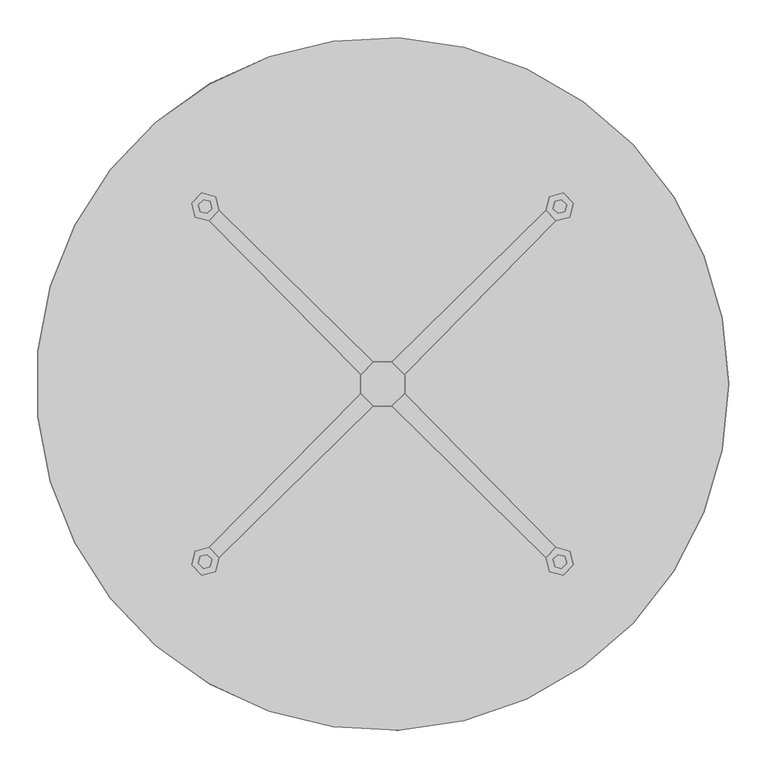
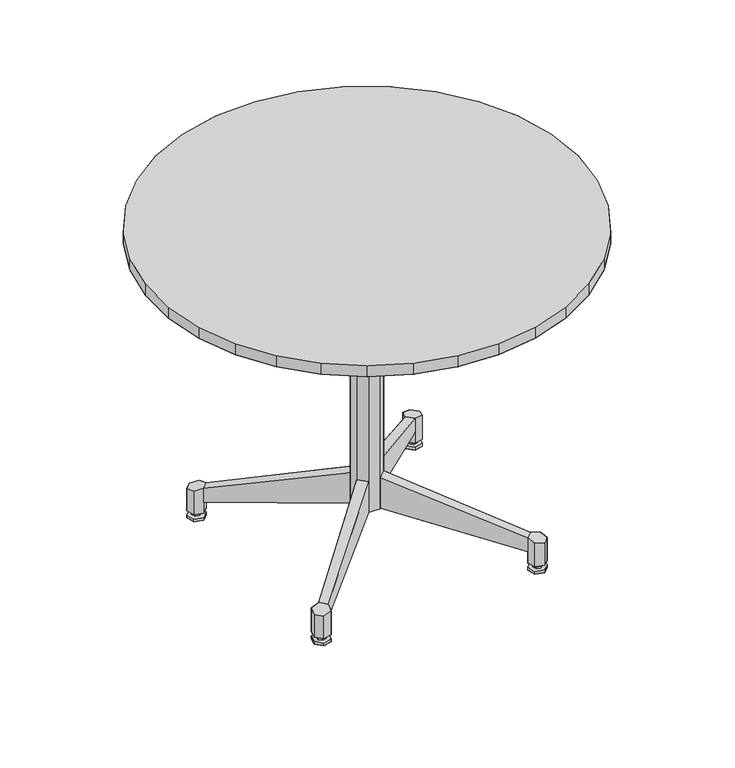
"""IFC4 building model written with IfcOpenShell, lengths in millimetres: furniture geometry."""

from ifc_helpers import new_model, si_unit, origin, place, context, project, spatial, triangles, source, transform, mapped, element, save


def furniture_ca0bdcf8(model_context):
    return source(origin(), model_context, "Body", "Tessellation", [
        triangles([(-65.0663455, -452.5463596, 723.9), (21.754452, -456.6821537, 723.9), (-149.5354764, -432.0543692, 723.9), (107.7889875, -444.3122329, 723.9), (-228.6, -395.9467984, 723.9), (189.9277421, -415.8837356, 723.9), (-299.402328, -345.5286913, 723.9), (265.2020173, -372.4241426, 723.9), (-359.3834779, -282.6222839, 723.9), (330.8912127, -315.5041068, 723.9), (384.6211089, -247.1809879, 723.9), (-406.3755587, -209.5011658, 723.9), (-438.6802002, -128.8081261, 723.9), (424.4498188, -169.9240757, 723.9), (448.9377863, -86.5256688, 723.9), (-455.1297775, -43.4596247, 723.9), (-455.1297775, 43.4596247, 723.9), (457.2, 0.0, 723.9), (448.9377863, 86.5256688, 723.9), (-438.6802002, 128.8081261, 723.9), (-406.3755587, 209.5011658, 723.9), (424.4498188, 169.9240757, 723.9), (384.6211089, 247.1809879, 723.9), (-359.3834779, 282.6222839, 723.9), (-299.402328, 345.5286913, 723.9), (330.8912127, 315.5041068, 723.9), (265.2020173, 372.4241426, 723.9), (-228.6, 395.9467984, 723.9), (-149.5354764, 432.0543692, 723.9), (189.9277421, 415.8837356, 723.9), (107.7889875, 444.3122329, 723.9), (-65.0663455, 452.5463596, 723.9), (21.754452, 456.6821537, 723.9), (107.7889875, 444.3122329, 698.5000242), (-65.0663455, 452.5463596, 698.5000242), (21.754452, 456.6821537, 698.5000242), (189.9277421, 415.8837356, 698.5000242), (-149.5354764, 432.0543692, 698.5000242), (265.2020173, 372.4241426, 698.5000242), (-228.6, 395.9467984, 698.5000242), (330.8912127, 315.5041068, 698.5000242), (-299.402328, 345.5286913, 698.5000242), (384.6211089, 247.1809879, 698.5000242), (-359.3834779, 282.6222839, 698.5000242), (424.4498188, 169.9240757, 698.5000242), (-406.3755587, 209.5011658, 698.5000242), (448.9377863, 86.5256688, 698.5000242), (-438.6802002, 128.8081261, 698.5000242), (457.2, 0.0, 698.5000242), (-455.1297775, 43.4596247, 698.5000242), (448.9377863, -86.5256688, 698.5000242), (-455.1297775, -43.4596247, 698.5000242), (424.4498188, -169.9240757, 698.5000242), (-438.6802002, -128.8081261, 698.5000242), (384.6211089, -247.1809879, 698.5000242), (-406.3755587, -209.5011658, 698.5000242), (330.8912127, -315.5041068, 698.5000242), (-359.3834779, -282.6222839, 698.5000242), (265.2020173, -372.4241426, 698.5000242), (-299.402328, -345.5286913, 698.5000242), (189.9277421, -415.8837356, 698.5000242), (-228.6, -395.9467984, 698.5000242), (107.7889875, -444.3122329, 698.5000242), (-149.5354764, -432.0543692, 698.5000242), (21.754452, -456.6821537, 698.5000242), (-65.0663455, -452.5463596, 698.5000242)], [[1, 2, 3], [2, 4, 3], [5, 3, 4], [5, 4, 6], [5, 6, 7], [6, 8, 7], [9, 7, 8], [9, 8, 10], [9, 10, 11], [9, 11, 12], [13, 12, 11], [13, 11, 14], [13, 14, 15], [13, 15, 16], [17, 16, 15], [17, 15, 18], [17, 18, 19], [17, 19, 20], [21, 20, 19], [21, 19, 22], [21, 22, 23], [21, 23, 24], [25, 24, 23], [25, 23, 26], [25, 26, 27], [25, 27, 28], [29, 28, 30], [28, 27, 30], [29, 30, 31], [29, 31, 32], [33, 32, 31], [34, 35, 36], [34, 37, 35], [37, 38, 35], [39, 40, 38], [39, 38, 37], [39, 41, 42], [39, 42, 40], [43, 44, 42], [43, 42, 41], [43, 45, 46], [43, 46, 44], [47, 48, 45], [48, 46, 45], [47, 49, 50], [47, 50, 48], [51, 52, 50], [51, 50, 49], [51, 53, 54], [51, 54, 52], [55, 56, 54], [55, 54, 53], [55, 57, 58], [55, 58, 56], [59, 60, 58], [59, 58, 57], [59, 61, 62], [59, 62, 60], [63, 64, 61], [64, 62, 61], [63, 65, 66], [63, 66, 64]], closed=False),
        triangles([(457.2, 0.0, 698.5000242), (448.9377863, 86.5256688, 698.5000242), (448.9377863, 86.5256688, 723.9), (457.2, 0.0, 723.9), (424.4498188, 169.9240757, 698.5000242), (424.4498188, 169.9240757, 723.9), (384.6211089, 247.1809879, 698.5000242), (384.6211089, 247.1809879, 723.9), (330.8912127, 315.5041068, 698.5000242), (330.8912127, 315.5041068, 723.9), (265.2020173, 372.4241426, 698.5000242), (265.2020173, 372.4241426, 723.9), (189.9277421, 415.8837356, 698.5000242), (189.9277421, 415.8837356, 723.9), (107.7889875, 444.3122329, 698.5000242), (107.7889875, 444.3122329, 723.9), (21.754452, 456.6821537, 698.5000242), (21.754452, 456.6821537, 723.9), (-65.0663455, 452.5463596, 698.5000242), (-65.0663455, 452.5463596, 723.9), (-149.5354764, 432.0543692, 698.5000242), (-149.5354764, 432.0543692, 723.9), (-228.6, 395.9467984, 698.5000242), (-228.6, 395.9467984, 723.9), (-299.402328, 345.5286913, 698.5000242), (-299.402328, 345.5286913, 723.9), (-359.3834779, 282.6222839, 698.5000242), (-359.3834779, 282.6222839, 723.9), (-406.3755587, 209.5011658, 698.5000242), (-406.3755587, 209.5011658, 723.9), (-438.6802002, 128.8081261, 698.5000242), (-438.6802002, 128.8081261, 723.9), (-455.1297775, 43.4596247, 698.5000242), (-455.1297775, 43.4596247, 723.9), (-455.1297775, -43.4596247, 698.5000242), (-455.1297775, -43.4596247, 723.9), (-438.6802002, -128.8081261, 698.5000242), (-438.6802002, -128.8081261, 723.9), (-406.3755587, -209.5011658, 698.5000242), (-406.3755587, -209.5011658, 723.9), (-359.3834779, -282.6222839, 698.5000242), (-359.3834779, -282.6222839, 723.9), (-299.402328, -345.5286913, 698.5000242), (-299.402328, -345.5286913, 723.9), (-228.6, -395.9467984, 698.5000242), (-228.6, -395.9467984, 723.9), (-149.5354764, -432.0543692, 698.5000242), (-149.5354764, -432.0543692, 723.9), (-65.0663455, -452.5463596, 698.5000242), (-65.0663455, -452.5463596, 723.9), (21.754452, -456.6821537, 698.5000242), (21.754452, -456.6821537, 723.9), (107.7889875, -444.3122329, 698.5000242), (107.7889875, -444.3122329, 723.9), (189.9277421, -415.8837356, 698.5000242), (189.9277421, -415.8837356, 723.9), (265.2020173, -372.4241426, 698.5000242), (265.2020173, -372.4241426, 723.9), (330.8912127, -315.5041068, 698.5000242), (330.8912127, -315.5041068, 723.9), (384.6211089, -247.1809879, 698.5000242), (384.6211089, -247.1809879, 723.9), (424.4498188, -169.9240757, 698.5000242), (424.4498188, -169.9240757, 723.9), (448.9377863, -86.5256688, 698.5000242), (448.9377863, -86.5256688, 723.9)], [[1, 2, 3], [1, 3, 4], [2, 5, 6], [2, 6, 3], [5, 7, 8], [5, 8, 6], [7, 9, 10], [7, 10, 8], [9, 11, 12], [9, 12, 10], [11, 13, 14], [11, 14, 12], [13, 15, 16], [13, 16, 14], [15, 17, 18], [15, 18, 16], [17, 19, 20], [17, 20, 18], [19, 21, 22], [19, 22, 20], [21, 23, 24], [21, 24, 22], [23, 25, 26], [23, 26, 24], [25, 27, 28], [25, 28, 26], [27, 29, 30], [27, 30, 28], [29, 31, 32], [29, 32, 30], [31, 33, 34], [31, 34, 32], [33, 35, 36], [33, 36, 34], [35, 37, 38], [35, 38, 36], [37, 39, 40], [37, 40, 38], [39, 41, 42], [39, 42, 40], [41, 43, 44], [41, 44, 42], [43, 45, 46], [43, 46, 44], [45, 47, 48], [45, 48, 46], [47, 49, 50], [47, 50, 48], [49, 51, 52], [49, 52, 50], [51, 53, 54], [51, 54, 52], [53, 55, 56], [53, 56, 54], [55, 57, 58], [55, 58, 56], [57, 59, 60], [57, 60, 58], [59, 61, 62], [59, 62, 60], [61, 63, 64], [61, 64, 62], [63, 65, 66], [63, 66, 64], [65, 1, 4], [65, 4, 66]], closed=False),
        triangles([(-238.6784728, 252.1722167, -0.5598456), (-252.1722167, 238.6784728, -0.5598456), (-215.6597288, 229.1534728, -0.5598456), (-220.4222288, 247.4097167, -0.5598456), (-229.1534728, 215.6597288, -0.5598456), (-247.4097167, 220.4222288, -0.5598456), (-238.6784728, 252.1722167, 15.3151546), (-252.1722167, 238.6784728, 15.3151546), (-215.6597288, 229.1534728, 15.3151546), (-220.4222288, 247.4097167, 15.3151546), (-229.1534728, 215.6597288, 15.3151546), (-247.4097167, 220.4222288, 15.3151546), (-227.5659788, 241.0597228, 5.7901546), (-236.2972228, 243.4409728, 5.7901546), (-236.2972228, 243.4409728, 15.3151546), (-227.5659788, 241.0597228, 15.3151546), (-243.4409728, 236.2972228, 5.7901546), (-243.4409728, 236.2972228, 15.3151546), (-241.0597228, 227.5659788, 5.7901546), (-241.0597228, 227.5659788, 15.3151546), (-231.5347228, 225.1847288, 5.7901546), (-231.5347228, 225.1847288, 15.3151546), (-225.1847288, 231.5347228, 5.7901546), (-225.1847288, 231.5347228, 15.3151546), (-220.4222288, 247.4097167, 5.7901546), (-215.6597288, 229.1534728, 5.7901546), (-238.6784728, 252.1722167, 5.7901546), (-252.1722167, 238.6784728, 5.7901546), (-229.1534728, 215.6597288, 5.7901546), (-247.4097167, 220.4222288, 5.7901546), (220.4222288, 247.4097167, -0.5598456), (215.6597288, 229.1534728, -0.5598456), (238.6784728, 252.1722167, -0.5598456), (252.1722167, 238.6784728, -0.5598456), (229.1534728, 215.6597288, -0.5598456), (247.4097167, 220.4222288, -0.5598456), (220.4222288, 247.4097167, 15.3151546), (215.6597288, 229.1534728, 15.3151546), (238.6784728, 252.1722167, 15.3151546), (252.1722167, 238.6784728, 15.3151546), (229.1534728, 215.6597288, 15.3151546), (247.4097167, 220.4222288, 15.3151546), (227.5659788, 241.0597228, 15.3151546), (236.2972228, 243.4409728, 15.3151546), (236.2972228, 243.4409728, 5.7901546), (227.5659788, 241.0597228, 5.7901546), (243.4409728, 236.2972228, 15.3151546), (243.4409728, 236.2972228, 5.7901546), (241.0597228, 227.5659788, 15.3151546), (241.0597228, 227.5659788, 5.7901546), (231.5347228, 225.1847288, 15.3151546), (231.5347228, 225.1847288, 5.7901546), (225.1847288, 231.5347228, 15.3151546), (225.1847288, 231.5347228, 5.7901546), (238.6784728, 252.1722167, 5.7901546), (252.1722167, 238.6784728, 5.7901546), (215.6597288, 229.1534728, 5.7901546), (220.4222288, 247.4097167, 5.7901546), (229.1534728, 215.6597288, 5.7901546), (247.4097167, 220.4222288, 5.7901546), (-220.4222288, -247.4097167, -0.5598456), (-215.6597288, -229.1534728, -0.5598456), (-238.6784728, -252.1722167, -0.5598456), (-252.1722167, -238.6784728, -0.5598456), (-229.1534728, -215.6597288, -0.5598456), (-247.4097167, -220.4222288, -0.5598456), (-220.4222288, -247.4097167, 15.3151546), (-215.6597288, -229.1534728, 15.3151546), (-238.6784728, -252.1722167, 15.3151546), (-252.1722167, -238.6784728, 15.3151546), (-229.1534728, -215.6597288, 15.3151546), (-247.4097167, -220.4222288, 15.3151546), (-227.5659788, -241.0597228, 15.3151546), (-236.2972228, -243.4409728, 15.3151546), (-236.2972228, -243.4409728, 5.7901546), (-227.5659788, -241.0597228, 5.7901546), (-243.4409728, -236.2972228, 15.3151546), (-243.4409728, -236.2972228, 5.7901546), (-241.0597228, -227.5659788, 15.3151546), (-241.0597228, -227.5659788, 5.7901546), (-231.5347228, -225.1847288, 15.3151546), (-231.5347228, -225.1847288, 5.7901546), (-225.1847288, -231.5347228, 15.3151546), (-225.1847288, -231.5347228, 5.7901546), (-238.6784728, -252.1722167, 5.7901546), (-252.1722167, -238.6784728, 5.7901546), (-215.6597288, -229.1534728, 5.7901546), (-220.4222288, -247.4097167, 5.7901546), (-229.1534728, -215.6597288, 5.7901546), (-247.4097167, -220.4222288, 5.7901546), (238.6784728, -252.1722167, -0.5598456), (252.1722167, -238.6784728, -0.5598456), (215.6597288, -229.1534728, -0.5598456), (220.4222288, -247.4097167, -0.5598456), (229.1534728, -215.6597288, -0.5598456), (247.4097167, -220.4222288, -0.5598456), (238.6784728, -252.1722167, 15.3151546), (252.1722167, -238.6784728, 15.3151546), (215.6597288, -229.1534728, 15.3151546), (220.4222288, -247.4097167, 15.3151546), (229.1534728, -215.6597288, 15.3151546), (247.4097167, -220.4222288, 15.3151546), (227.5659788, -241.0597228, 5.7901546), (236.2972228, -243.4409728, 5.7901546), (236.2972228, -243.4409728, 15.3151546), (227.5659788, -241.0597228, 15.3151546), (243.4409728, -236.2972228, 5.7901546), (243.4409728, -236.2972228, 15.3151546), (241.0597228, -227.5659788, 5.7901546), (241.0597228, -227.5659788, 15.3151546), (231.5347228, -225.1847288, 5.7901546), (231.5347228, -225.1847288, 15.3151546), (225.1847288, -231.5347228, 5.7901546), (225.1847288, -231.5347228, 15.3151546), (220.4222288, -247.4097167, 5.7901546), (215.6597288, -229.1534728, 5.7901546), (238.6784728, -252.1722167, 5.7901546), (252.1722167, -238.6784728, 5.7901546), (229.1534728, -215.6597288, 5.7901546), (247.4097167, -220.4222288, 5.7901546)], [[1, 2, 3], [1, 3, 4], [3, 2, 5], [2, 6, 5], [7, 8, 9], [7, 9, 10], [9, 8, 11], [8, 12, 11], [13, 14, 15], [13, 15, 16], [14, 17, 18], [14, 18, 15], [17, 19, 20], [17, 20, 18], [19, 21, 22], [19, 22, 20], [21, 23, 24], [21, 24, 22], [23, 13, 16], [23, 16, 24], [25, 26, 27], [26, 28, 27], [29, 30, 28], [29, 28, 26], [27, 25, 4], [27, 4, 1], [25, 26, 3], [25, 3, 4], [26, 29, 5], [26, 5, 3], [29, 30, 6], [29, 6, 5], [30, 28, 2], [30, 2, 6], [28, 27, 1], [28, 1, 2], [31, 32, 33], [32, 34, 33], [35, 36, 34], [35, 34, 32], [37, 38, 39], [38, 40, 39], [41, 42, 40], [41, 40, 38], [43, 44, 45], [43, 45, 46], [44, 47, 48], [44, 48, 45], [47, 49, 50], [47, 50, 48], [49, 51, 52], [49, 52, 50], [51, 53, 54], [51, 54, 52], [53, 43, 46], [53, 46, 54], [55, 56, 57], [55, 57, 58], [57, 56, 59], [56, 60, 59], [33, 31, 58], [33, 58, 55], [31, 32, 57], [31, 57, 58], [32, 35, 59], [32, 59, 57], [35, 36, 60], [35, 60, 59], [36, 34, 56], [36, 56, 60], [34, 33, 55], [34, 55, 56], [61, 62, 63], [62, 64, 63], [65, 66, 64], [65, 64, 62], [67, 68, 69], [68, 70, 69], [71, 72, 70], [71, 70, 68], [73, 74, 75], [73, 75, 76], [74, 77, 78], [74, 78, 75], [77, 79, 80], [77, 80, 78], [79, 81, 82], [79, 82, 80], [81, 83, 84], [81, 84, 82], [83, 73, 76], [83, 76, 84], [85, 86, 87], [85, 87, 88], [87, 86, 89], [86, 90, 89], [63, 61, 88], [63, 88, 85], [61, 62, 87], [61, 87, 88], [62, 65, 89], [62, 89, 87], [65, 66, 90], [65, 90, 89], [66, 64, 86], [66, 86, 90], [64, 63, 85], [64, 85, 86], [91, 92, 93], [91, 93, 94], [93, 92, 95], [92, 96, 95], [97, 98, 99], [97, 99, 100], [99, 98, 101], [98, 102, 101], [103, 104, 105], [103, 105, 106], [104, 107, 108], [104, 108, 105], [107, 109, 110], [107, 110, 108], [109, 111, 112], [109, 112, 110], [111, 113, 114], [111, 114, 112], [113, 103, 106], [113, 106, 114], [115, 116, 117], [116, 118, 117], [119, 120, 118], [119, 118, 116], [117, 115, 94], [117, 94, 91], [115, 116, 93], [115, 93, 94], [116, 119, 95], [116, 95, 93], [119, 120, 96], [119, 96, 95], [120, 118, 92], [120, 92, 96], [118, 117, 91], [118, 91, 92]], closed=False),
        triangles([(-34.9250008, 78.58125, 698.5000242), (34.9250008, 78.58125, 698.5000242), (11.90625, 29.3687492, 622.3000242), (-11.90625, 29.3687492, 622.3000242), (199.2312439, 215.8999939, 698.5000242), (215.8999939, 199.2312439, 698.5000242), (29.3687492, 11.90625, 622.3000242), (78.58125, 34.9250008, 698.5000242), (-78.58125, -34.9250008, 698.5000242), (-78.58125, 34.9250008, 698.5000242), (-29.3687492, 11.90625, 622.3000242), (-29.3687492, -11.90625, 622.3000242), (-215.8999939, 199.2312439, 698.5000242), (-199.2312439, 215.8999939, 698.5000242), (34.9250008, -78.58125, 698.5000242), (-34.9250008, -78.58125, 698.5000242), (-11.90625, -29.3687492, 622.3000242), (11.90625, -29.3687492, 622.3000242), (-199.2312439, -215.8999939, 698.5000242), (-215.8999939, -199.2312439, 698.5000242), (78.58125, -34.9250008, 698.5000242), (29.3687492, -11.90625, 622.3000242), (215.8999939, -199.2312439, 698.5000242), (199.2312439, -215.8999939, 698.5000242)], [[1, 2, 3], [1, 3, 4], [3, 2, 5], [3, 5, 6], [3, 6, 7], [6, 8, 7], [9, 10, 11], [9, 11, 12], [11, 10, 13], [11, 13, 14], [11, 14, 4], [14, 1, 4], [15, 16, 17], [15, 17, 18], [17, 16, 19], [17, 19, 20], [17, 20, 12], [20, 9, 12], [8, 21, 22], [8, 22, 7], [22, 21, 23], [22, 23, 24], [22, 24, 18], [24, 15, 18]], closed=False),
        triangles([(-29.3687492, 11.90625, 622.3000242), (-11.90625, 29.3687492, 622.3000242), (-11.90625, 29.3687492, 90.4875), (-29.3687492, 11.90625, 90.4875), (11.90625, 29.3687492, 622.3000242), (11.90625, 29.3687492, 90.4875), (29.3687492, 11.90625, 622.3000242), (29.3687492, 11.90625, 90.4875), (29.3687492, -11.90625, 622.3000242), (29.3687492, -11.90625, 90.4875), (11.90625, -29.3687492, 622.3000242), (11.90625, -29.3687492, 90.4875), (-11.90625, -29.3687492, 622.3000242), (-11.90625, -29.3687492, 90.4875), (-29.3687492, -11.90625, 622.3000242), (-29.3687492, -11.90625, 90.4875)], [[1, 2, 3], [1, 3, 4], [2, 5, 6], [2, 6, 3], [5, 7, 8], [5, 8, 6], [7, 9, 10], [7, 10, 8], [9, 11, 12], [9, 12, 10], [11, 13, 14], [11, 14, 12], [13, 15, 16], [13, 16, 14], [15, 1, 4], [15, 4, 16]], closed=False),
        triangles([(215.6509902, 229.1447524, 41.2750015), (12.7000004, 29.3687492, 91.281247), (12.7000004, 29.3687492, 161.1312439), (215.6509902, 229.1447524, 73.0249985), (29.3687492, 12.7000004, 161.1312439), (229.1447524, 215.6509902, 73.0249985), (29.3687492, 12.7000004, 91.281247), (229.1447524, 215.6509902, 41.2750015), (-229.1534728, 215.6597288, 40.7151565), (-29.3687492, 12.7000004, 91.281247), (-29.3687492, 12.7000004, 161.1312439), (-229.1534728, 215.6597288, 72.4651535), (-12.7000004, 29.3687492, 161.1312439), (-215.6597288, 229.1534728, 72.4651535), (-12.7000004, 29.3687492, 91.281247), (-215.6597288, 229.1534728, 40.7151565), (-215.6509902, -229.1447524, 41.2750015), (-12.7000004, -29.3687492, 91.281247), (-12.7000004, -29.3687492, 161.1312439), (-215.6509902, -229.1447524, 73.0249985), (-29.3687492, -12.7000004, 161.1312439), (-229.1447524, -215.6509902, 73.0249985), (-29.3687492, -12.7000004, 91.281247), (-229.1447524, -215.6509902, 41.2750015), (229.1534728, -215.6597288, 41.8348465), (29.3687492, -12.7000004, 91.281247), (29.3687492, -12.7000004, 161.1312439), (229.1534728, -215.6597288, 73.5848435), (12.7000004, -29.3687492, 161.1312439), (215.6597288, -229.1534728, 73.5848435), (12.7000004, -29.3687492, 91.281247), (215.6597288, -229.1534728, 41.8348465), (-229.1534728, 215.6597288, 15.3151546), (-215.6597288, 229.1534728, 15.3151546), (-252.1722167, 238.6784728, 15.3151546), (-252.1722167, 238.6784728, 66.115155), (-238.6784728, 252.1722167, 66.115155), (-238.6784728, 252.1722167, 15.3151546), (-220.4222288, 247.4097167, 69.2901565), (-220.4222288, 247.4097167, 15.3151546), (-247.4097167, 220.4222288, 15.3151546), (-247.4097167, 220.4222288, 69.2901565), (-215.6509902, -229.1447524, 15.8749996), (-229.1447524, -215.6509902, 15.8749996), (-238.6697524, -252.1634963, 15.8749996), (-238.6697524, -252.1634963, 66.675), (-252.1634963, -238.6697524, 66.675), (-252.1634963, -238.6697524, 15.8749996), (-247.4009963, -220.4134902, 69.8500015), (-247.4009963, -220.4134902, 15.8749996), (-220.4134902, -247.4009963, 15.8749996), (-220.4134902, -247.4009963, 69.8500015), (215.6509902, 229.1447524, 15.8749996), (229.1447524, 215.6509902, 15.8749996), (238.6697524, 252.1634963, 15.8749996), (238.6697524, 252.1634963, 66.675), (252.1634963, 238.6697524, 66.675), (252.1634963, 238.6697524, 15.8749996), (247.4009963, 220.4134902, 69.8500015), (247.4009963, 220.4134902, 15.8749996), (220.4134902, 247.4009963, 15.8749996), (220.4134902, 247.4009963, 69.8500015), (229.1534728, -215.6597288, 16.4348458), (215.6597288, -229.1534728, 16.4348458), (252.1722167, -238.6784728, 16.4348458), (252.1722167, -238.6784728, 67.234845), (238.6784728, -252.1722167, 67.234845), (238.6784728, -252.1722167, 16.4348458), (220.4222288, -247.4097167, 70.4098465), (220.4222288, -247.4097167, 16.4348458), (247.4097167, -220.4222288, 16.4348458), (247.4097167, -220.4222288, 70.4098465)], [[1, 2, 3], [1, 3, 4], [3, 5, 6], [3, 6, 4], [7, 5, 6], [7, 6, 8], [9, 10, 11], [9, 11, 12], [11, 13, 14], [11, 14, 12], [15, 13, 14], [15, 14, 16], [17, 18, 19], [17, 19, 20], [19, 21, 22], [19, 22, 20], [23, 21, 22], [23, 22, 24], [25, 26, 27], [25, 27, 28], [27, 29, 30], [27, 30, 28], [31, 29, 30], [31, 30, 32], [1, 8, 7], [1, 7, 2], [25, 32, 31], [25, 31, 26], [33, 9, 16], [33, 16, 34], [35, 36, 37], [35, 37, 38], [39, 37, 38], [39, 38, 40], [14, 39, 40], [14, 40, 34], [41, 42, 36], [41, 36, 35], [12, 42, 41], [12, 41, 33], [43, 17, 24], [43, 24, 44], [45, 46, 47], [45, 47, 48], [49, 47, 48], [49, 48, 50], [22, 49, 50], [22, 50, 44], [51, 52, 46], [51, 46, 45], [20, 52, 51], [20, 51, 43], [9, 16, 15], [9, 15, 10], [17, 24, 23], [17, 23, 18], [20, 52, 46], [20, 46, 47], [20, 47, 49], [20, 49, 22], [12, 42, 36], [12, 36, 37], [12, 37, 39], [12, 39, 14], [53, 1, 8], [53, 8, 54], [55, 56, 57], [55, 57, 58], [59, 57, 58], [59, 58, 60], [6, 59, 60], [6, 60, 54], [61, 62, 56], [61, 56, 55], [4, 62, 61], [4, 61, 53], [63, 25, 32], [63, 32, 64], [65, 66, 67], [65, 67, 68], [69, 67, 68], [69, 68, 70], [30, 69, 70], [30, 70, 64], [71, 72, 66], [71, 66, 65], [28, 72, 71], [28, 71, 63], [28, 72, 66], [28, 66, 67], [28, 67, 69], [28, 69, 30], [4, 62, 56], [4, 56, 57], [4, 57, 59], [4, 59, 6]], closed=False),
    ])


if __name__ == "__main__":
    model = new_model("IFC4")
    model_context = context("Model", 3, world=origin())
    ifc_project = project(units=[si_unit("LENGTHUNIT", "METRE", prefix="MILLI")], contexts=[model_context])
    site = spatial("IfcSite", under=ifc_project)
    building = spatial("IfcBuilding", under=site)
    placement = place(None, origin())
    furniture_shape = furniture_ca0bdcf8(model_context)
    element("IfcFurniture", 1, at=placement, inside=building, context=model_context, shape_type="MappedRepresentation", body=[
        mapped(furniture_shape, transform((0.0, 0.0, 0.0), x_axis=(1.0, 0.0, 0.0), y_axis=(0.0, 1.0, 0.0), z_axis=(0.0, 0.0, 1.0))),
    ])
    save(model, "model.ifc")
